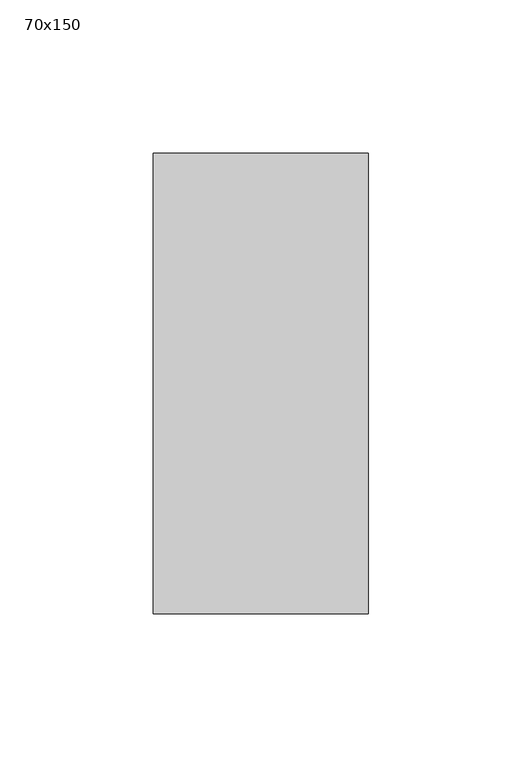
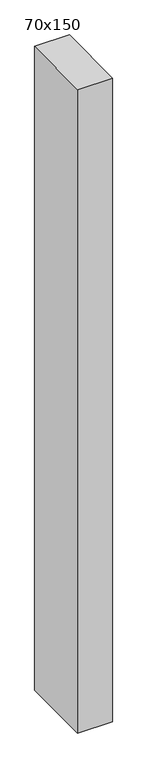
"""IFC4 building model written with IfcOpenShell, lengths in millimetres: member geometry, 70x150."""

import ifcopenshell
import ifcopenshell.guid

model = None  # the IFC model being written
_history = None  # IfcOwnerHistory: only IFC2X3 demands one
_inside = {}  # id of a spatial element -> (the spatial element, [elements in it])
_under = {}  # id of a project, library or spatial element -> (it, [spatial elements below it])
_declared = {}  # id of a project -> (the project, [libraries it declares])
_typed = {}  # id of a type object -> (the type object, [elements of that type])
_made_of = {}  # id of a material, layer set ... -> (it, [elements and type objects made of it])


def new_model(schema):
    """Start an empty IFC model of exactly this schema.

    Asked for "IFC4X3", IfcOpenShell would pick the latest addendum, in which some entities
    have other attributes; the version numbers below select the first issue.
    IFC2X3 requires an IfcOwnerHistory on every rooted entity: one is made here for all.
    """
    global model, _history
    if schema == "IFC4X3":
        model = ifcopenshell.file(schema_version=(4, 3, 0, 0))
    else:
        model = ifcopenshell.file(schema=schema)
    _inside.clear()
    _under.clear()
    _declared.clear()
    _typed.clear()
    _made_of.clear()
    _history = None
    if model.schema == "IFC2X3":
        org = make("IfcOrganization", Name="unknown")
        user = make(
            "IfcPersonAndOrganization",
            ThePerson=make("IfcPerson", FamilyName="unknown"),
            TheOrganization=org,
        )
        app = make(
            "IfcApplication",
            ApplicationDeveloper=org,
            Version="unknown",
            ApplicationFullName="unknown",
            ApplicationIdentifier="unknown",
        )
        _history = make(
            "IfcOwnerHistory",
            OwningUser=user,
            OwningApplication=app,
            ChangeAction="ADDED",
            CreationDate=0,
        )
    return model


def make(cls, **values):
    """One entity of the class cls with the attributes given. An attribute that is None is left unset."""
    return model.create_entity(
        cls, **{name: value for name, value in values.items() if value is not None}
    )


def rooted(cls, **values):
    """An entity with a GlobalId (a new one), such as an element, a storey or a relation."""
    return make(cls, GlobalId=ifcopenshell.guid.new(), OwnerHistory=_history, **values)


def si_unit(unit_type, name, prefix=None):
    """IfcSIUnit, for example si_unit("LENGTHUNIT", "METRE", prefix="MILLI")."""
    return make("IfcSIUnit", UnitType=unit_type, Prefix=prefix, Name=name)


def assignment(units):
    """IfcUnitAssignment: the units of a project."""
    return None if units is None else make("IfcUnitAssignment", Units=units)


def point(xyz):
    """IfcCartesianPoint."""
    return None if xyz is None else make("IfcCartesianPoint", Coordinates=xyz)


def direction(xyz):
    """IfcDirection."""
    return None if xyz is None else make("IfcDirection", DirectionRatios=xyz)


def frame(location, z_axis=None, x_axis=None):
    """IfcAxis2Placement3D, a coordinate frame: its origin and axes. An axis left out is left unset."""
    return make(
        "IfcAxis2Placement3D",
        Location=point(location),
        Axis=direction(z_axis),
        RefDirection=direction(x_axis),
    )


def origin():
    """The frame at (0, 0, 0) with its axes left unset."""
    return frame((0.0, 0.0, 0.0))


def place(relative_to, where):
    """IfcLocalPlacement: puts the frame where relative to a parent placement (None: the world)."""
    return make(
        "IfcLocalPlacement", PlacementRelTo=relative_to, RelativePlacement=where
    )


def context(
    kind, dimensions, precision=None, world=None, true_north=None, identifier=None
):
    """IfcGeometricRepresentationContext, for example the 3D "Model" context."""
    return make(
        "IfcGeometricRepresentationContext",
        ContextIdentifier=identifier,
        ContextType=kind,
        CoordinateSpaceDimension=dimensions,
        Precision=precision,
        WorldCoordinateSystem=world,
        TrueNorth=true_north,
    )


def project(units=None, contexts=None):
    """IfcProject with its units and contexts."""
    return rooted(
        "IfcProject",
        Name="project",
        RepresentationContexts=contexts,
        UnitsInContext=assignment(units),
    )


def spatial(cls, under=None, at=None, **own):
    """A site, building, storey or space (cls), placed at a placement, below another one or the project."""
    s = rooted(cls, ObjectPlacement=at, **own)
    if under is not None:
        _under.setdefault(under.id(), (under, []))[1].append(s)
    return s


def polyline(points):
    """IfcPolyline through the points."""
    return make("IfcPolyline", Points=[point(p) for p in points])


def outline(outer, holes=None, kind="AREA"):
    """IfcArbitraryClosedProfileDef: a profile drawn as a closed curve; with holes, ...WithVoids."""
    if holes is None:
        return make("IfcArbitraryClosedProfileDef", ProfileType=kind, OuterCurve=outer)
    return make(
        "IfcArbitraryProfileDefWithVoids",
        ProfileType=kind,
        OuterCurve=outer,
        InnerCurves=holes,
    )


def extrude(swept, where, along, depth):
    """IfcExtrudedAreaSolid: the profile swept, set in the frame where, extruded along a direction by depth."""
    return make(
        "IfcExtrudedAreaSolid",
        SweptArea=swept,
        Position=where,
        ExtrudedDirection=direction(along),
        Depth=depth,
    )


def shape(context_of_items, identifier, shape_type, items):
    """IfcShapeRepresentation: the items that make up one representation, for example the "Body"."""
    return make(
        "IfcShapeRepresentation",
        ContextOfItems=context_of_items,
        RepresentationIdentifier=identifier,
        RepresentationType=shape_type,
        Items=items,
    )


def source(mapping_origin, context_of_items, identifier, shape_type, items):
    """IfcRepresentationMap: a shape defined once, which mapped items show again and again."""
    return make(
        "IfcRepresentationMap",
        MappingOrigin=mapping_origin,
        MappedRepresentation=shape(context_of_items, identifier, shape_type, items),
    )


def transform(
    local_origin,
    x_axis=None,
    y_axis=None,
    z_axis=None,
    scale=None,
    scale2=None,
    scale3=None,
    uniform=True,
):
    """IfcCartesianTransformationOperator3D, or its non-uniform kind. x_axis, y_axis, z_axis: its Axis1, 2, 3."""
    if uniform:
        return make(
            "IfcCartesianTransformationOperator3D",
            Axis1=direction(x_axis),
            Axis2=direction(y_axis),
            LocalOrigin=point(local_origin),
            Scale=scale,
            Axis3=direction(z_axis),
        )
    return make(
        "IfcCartesianTransformationOperator3DnonUniform",
        Axis1=direction(x_axis),
        Axis2=direction(y_axis),
        LocalOrigin=point(local_origin),
        Scale=scale,
        Axis3=direction(z_axis),
        Scale2=scale2,
        Scale3=scale3,
    )


def mapped(mapping_source, mapping_target):
    """IfcMappedItem: shows the shape of a source again, moved by a transform."""
    return make(
        "IfcMappedItem", MappingSource=mapping_source, MappingTarget=mapping_target
    )


def made_of(thing, what):
    """Note that an element or type object is made of a material, layer set ...; save() writes the relation."""
    if what is not None:
        _made_of.setdefault(what.id(), (what, []))[1].append(thing)
    return thing


def element(
    cls,
    number,
    at=None,
    inside=None,
    cuts=None,
    type_object=None,
    material=None,
    context=None,
    identifier="Body",
    shape_type=None,
    held_by="IfcProductDefinitionShape",
    body=None,
    shapes=None,
    **own,
):
    """One element of the class cls, such as IfcWall. Its Tag is "e" and its number.

    at: its placement. inside: the storey or other place that contains it. cuts: it is an
    opening in that element (IfcRelVoidsElement). A single representation is given by context,
    identifier, shape_type and body (its items); several are given by shapes. held_by: the class
    of the entity that holds the representations. save() writes the other relations.
    """
    e = rooted(cls, Tag="e%d" % number, ObjectPlacement=at, **own)
    if body is not None:
        shapes = [shape(context, identifier, shape_type, body)]
    if shapes is not None:
        e.Representation = make(held_by, Representations=shapes)
    if inside is not None:
        _inside.setdefault(inside.id(), (inside, []))[1].append(e)
    if cuts is not None:
        rooted(
            "IfcRelVoidsElement", RelatingBuildingElement=cuts, RelatedOpeningElement=e
        )
    if type_object is not None:
        _typed.setdefault(type_object.id(), (type_object, []))[1].append(e)
    return made_of(e, material)


def aggregate(whole, parts):
    """IfcRelAggregates: a whole, such as a stair, and the parts it consists of."""
    return rooted("IfcRelAggregates", RelatingObject=whole, RelatedObjects=parts)


def save(model, path):
    """Write the relations noted so far, then the file.

    IfcRelAggregates (storeys below a building ...), IfcRelContainedInSpatialStructure (elements
    in a storey), IfcRelDefinesByType, IfcRelAssociatesMaterial and IfcRelDeclares: one each for
    every whole, place, type object, material and project.
    """
    for whole, parts in _under.values():
        aggregate(whole, parts)
    for where, things in _inside.values():
        rooted(
            "IfcRelContainedInSpatialStructure",
            RelatedElements=things,
            RelatingStructure=where,
        )
    for kind, things in _typed.values():
        rooted("IfcRelDefinesByType", RelatedObjects=things, RelatingType=kind)
    for what, things in _made_of.values():
        rooted("IfcRelAssociatesMaterial", RelatedObjects=things, RelatingMaterial=what)
    for by, libraries in _declared.values():
        rooted("IfcRelDeclares", RelatingContext=by, RelatedDefinitions=libraries)
    model.write(path)


def member_70x150_45ee7373(model_context):
    return source(origin(), model_context, "Body", "SweptSolid", [
        extrude(outline(polyline([(-75.0, -0.5238321), (75.0, 0.5238321), (75.0, -1373.1391277), (-75.0, -1373.1391277), (-75.0, -0.5238321)])), frame((-70.0, 0.0, 0.0), z_axis=(1.0, 0.0, 0.0), x_axis=(0.0, 1.0, 0.0)), (0.0, 0.0, 1.0), 70.0),
    ])


if __name__ == "__main__":
    model = new_model("IFC4")
    model_context = context("Model", 3, world=origin())
    ifc_project = project(units=[si_unit("LENGTHUNIT", "METRE", prefix="MILLI")], contexts=[model_context])
    site = spatial("IfcSite", under=ifc_project)
    building = spatial("IfcBuilding", under=site)
    placement = place(None, origin())
    member_70x150_shape = member_70x150_45ee7373(model_context)
    element("IfcMember", 1, ObjectType="70x150", at=placement, inside=building, context=model_context, shape_type="MappedRepresentation", body=[
        mapped(member_70x150_shape, transform((0.0, 0.0, 0.0), x_axis=(1.0, 0.0, 0.0), y_axis=(0.0, 1.0, 0.0), z_axis=(0.0, 0.0, 1.0))),
    ])
    save(model, "model.ifc")
